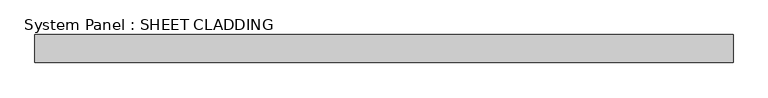
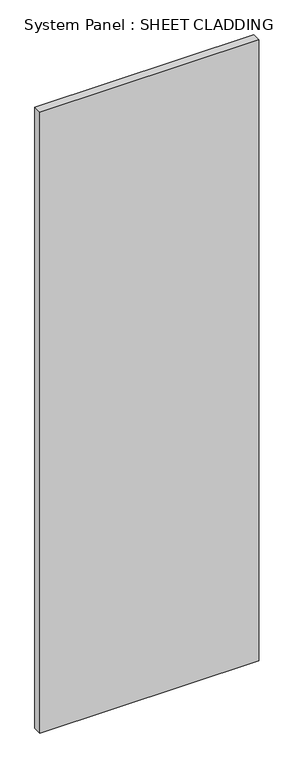
"""IFC4 building model written with IfcOpenShell, lengths in millimetres: plate geometry, System Panel : SHEET CLADDING."""

from ifc_helpers import new_model, si_unit, origin, origin_with_axes, place, context, project, spatial, polyline, outline, extrude, source, transform, mapped, element, save


def system_panel_sheet_cladding_d9041ad9(model_context):
    return source(origin(), model_context, "Body", "SweptSolid", [
        extrude(outline(polyline([(750.0000001, -49.5), (-750.0000001, -49.5), (-750.0000001, 10.5), (750.0000001, 10.5), (750.0000001, -49.5)])), origin_with_axes(), (0.0, 0.0, 1.0), 4500.0),
    ])


if __name__ == "__main__":
    model = new_model("IFC4")
    model_context = context("Model", 3, world=origin())
    ifc_project = project(units=[si_unit("LENGTHUNIT", "METRE", prefix="MILLI")], contexts=[model_context])
    site = spatial("IfcSite", under=ifc_project)
    building = spatial("IfcBuilding", under=site)
    placement = place(None, origin())
    system_panel_sheet_cladding_shape = system_panel_sheet_cladding_d9041ad9(model_context)
    element("IfcPlate", 1, ObjectType="System Panel : SHEET CLADDING", at=placement, inside=building, context=model_context, shape_type="MappedRepresentation", body=[
        mapped(system_panel_sheet_cladding_shape, transform((0.0, 0.0, 0.0), x_axis=(1.0, 0.0, 0.0), y_axis=(0.0, 1.0, 0.0), z_axis=(0.0, 0.0, 1.0))),
    ])
    save(model, "model.ifc")
